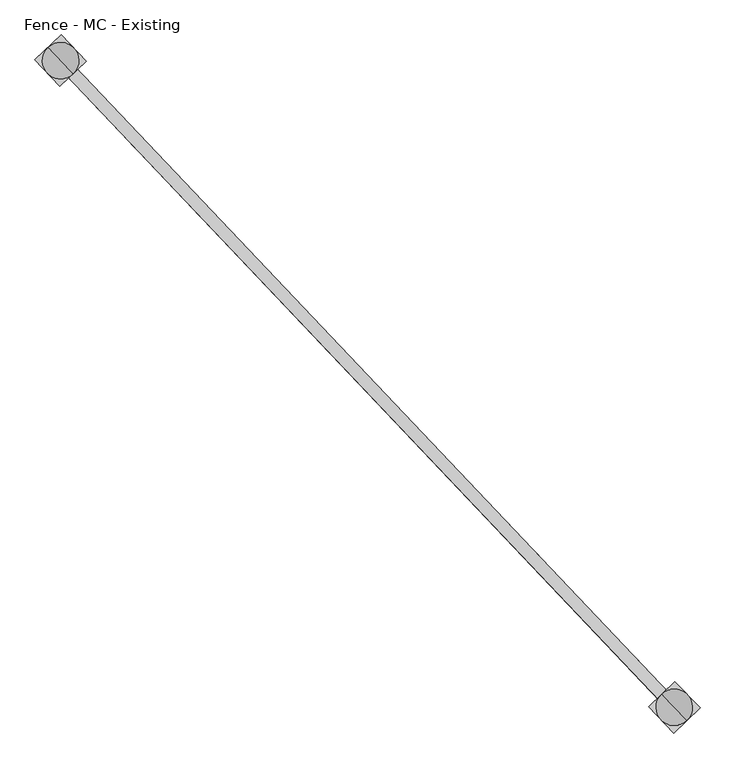
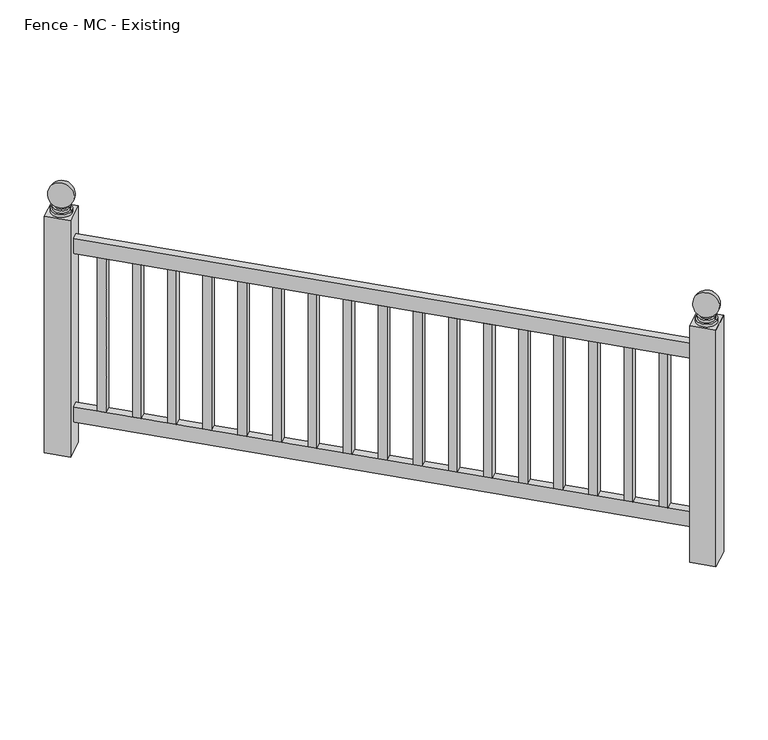
"""IFC4 building model written with IfcOpenShell, lengths in millimetres: railing geometry, Fence - MC - Existing."""

import ifcopenshell
import ifcopenshell.guid

model = None  # the IFC model being written
_history = None  # IfcOwnerHistory: only IFC2X3 demands one
_inside = {}  # id of a spatial element -> (the spatial element, [elements in it])
_under = {}  # id of a project, library or spatial element -> (it, [spatial elements below it])
_declared = {}  # id of a project -> (the project, [libraries it declares])
_typed = {}  # id of a type object -> (the type object, [elements of that type])
_made_of = {}  # id of a material, layer set ... -> (it, [elements and type objects made of it])


def new_model(schema):
    """Start an empty IFC model of exactly this schema.

    Asked for "IFC4X3", IfcOpenShell would pick the latest addendum, in which some entities
    have other attributes; the version numbers below select the first issue.
    IFC2X3 requires an IfcOwnerHistory on every rooted entity: one is made here for all.
    """
    global model, _history
    if schema == "IFC4X3":
        model = ifcopenshell.file(schema_version=(4, 3, 0, 0))
    else:
        model = ifcopenshell.file(schema=schema)
    _inside.clear()
    _under.clear()
    _declared.clear()
    _typed.clear()
    _made_of.clear()
    _history = None
    if model.schema == "IFC2X3":
        org = make("IfcOrganization", Name="unknown")
        user = make(
            "IfcPersonAndOrganization",
            ThePerson=make("IfcPerson", FamilyName="unknown"),
            TheOrganization=org,
        )
        app = make(
            "IfcApplication",
            ApplicationDeveloper=org,
            Version="unknown",
            ApplicationFullName="unknown",
            ApplicationIdentifier="unknown",
        )
        _history = make(
            "IfcOwnerHistory",
            OwningUser=user,
            OwningApplication=app,
            ChangeAction="ADDED",
            CreationDate=0,
        )
    return model


def make(cls, **values):
    """One entity of the class cls with the attributes given. An attribute that is None is left unset."""
    return model.create_entity(
        cls, **{name: value for name, value in values.items() if value is not None}
    )


def rooted(cls, **values):
    """An entity with a GlobalId (a new one), such as an element, a storey or a relation."""
    return make(cls, GlobalId=ifcopenshell.guid.new(), OwnerHistory=_history, **values)


def si_unit(unit_type, name, prefix=None):
    """IfcSIUnit, for example si_unit("LENGTHUNIT", "METRE", prefix="MILLI")."""
    return make("IfcSIUnit", UnitType=unit_type, Prefix=prefix, Name=name)


def assignment(units):
    """IfcUnitAssignment: the units of a project."""
    return None if units is None else make("IfcUnitAssignment", Units=units)


def point(xyz):
    """IfcCartesianPoint."""
    return None if xyz is None else make("IfcCartesianPoint", Coordinates=xyz)


def direction(xyz):
    """IfcDirection."""
    return None if xyz is None else make("IfcDirection", DirectionRatios=xyz)


def frame(location, z_axis=None, x_axis=None):
    """IfcAxis2Placement3D, a coordinate frame: its origin and axes. An axis left out is left unset."""
    return make(
        "IfcAxis2Placement3D",
        Location=point(location),
        Axis=direction(z_axis),
        RefDirection=direction(x_axis),
    )


def origin():
    """The frame at (0, 0, 0) with its axes left unset."""
    return frame((0.0, 0.0, 0.0))


def place(relative_to, where):
    """IfcLocalPlacement: puts the frame where relative to a parent placement (None: the world)."""
    return make(
        "IfcLocalPlacement", PlacementRelTo=relative_to, RelativePlacement=where
    )


def context(
    kind, dimensions, precision=None, world=None, true_north=None, identifier=None
):
    """IfcGeometricRepresentationContext, for example the 3D "Model" context."""
    return make(
        "IfcGeometricRepresentationContext",
        ContextIdentifier=identifier,
        ContextType=kind,
        CoordinateSpaceDimension=dimensions,
        Precision=precision,
        WorldCoordinateSystem=world,
        TrueNorth=true_north,
    )


def project(units=None, contexts=None):
    """IfcProject with its units and contexts."""
    return rooted(
        "IfcProject",
        Name="project",
        RepresentationContexts=contexts,
        UnitsInContext=assignment(units),
    )


def spatial(cls, under=None, at=None, **own):
    """A site, building, storey or space (cls), placed at a placement, below another one or the project."""
    s = rooted(cls, ObjectPlacement=at, **own)
    if under is not None:
        _under.setdefault(under.id(), (under, []))[1].append(s)
    return s


def polyline(points):
    """IfcPolyline through the points."""
    return make("IfcPolyline", Points=[point(p) for p in points])


def circle_curve(where, radius):
    """IfcCircle in the frame where."""
    return make("IfcCircle", Position=where, Radius=radius)


def ellipse_curve(where, semi_axis1, semi_axis2):
    """IfcEllipse in the frame where."""
    return make(
        "IfcEllipse", Position=where, SemiAxis1=semi_axis1, SemiAxis2=semi_axis2
    )


def trimmed(basis, trim1, trim2, sense, master):
    """IfcTrimmedCurve: the piece of a basis curve between two trims."""
    return make(
        "IfcTrimmedCurve",
        BasisCurve=basis,
        Trim1=trim1,
        Trim2=trim2,
        SenseAgreement=sense,
        MasterRepresentation=master,
    )


def outline(outer, holes=None, kind="AREA"):
    """IfcArbitraryClosedProfileDef: a profile drawn as a closed curve; with holes, ...WithVoids."""
    if holes is None:
        return make("IfcArbitraryClosedProfileDef", ProfileType=kind, OuterCurve=outer)
    return make(
        "IfcArbitraryProfileDefWithVoids",
        ProfileType=kind,
        OuterCurve=outer,
        InnerCurves=holes,
    )


def extrude(swept, where, along, depth):
    """IfcExtrudedAreaSolid: the profile swept, set in the frame where, extruded along a direction by depth."""
    return make(
        "IfcExtrudedAreaSolid",
        SweptArea=swept,
        Position=where,
        ExtrudedDirection=direction(along),
        Depth=depth,
    )


def shape(context_of_items, identifier, shape_type, items):
    """IfcShapeRepresentation: the items that make up one representation, for example the "Body"."""
    return make(
        "IfcShapeRepresentation",
        ContextOfItems=context_of_items,
        RepresentationIdentifier=identifier,
        RepresentationType=shape_type,
        Items=items,
    )


def source(mapping_origin, context_of_items, identifier, shape_type, items):
    """IfcRepresentationMap: a shape defined once, which mapped items show again and again."""
    return make(
        "IfcRepresentationMap",
        MappingOrigin=mapping_origin,
        MappedRepresentation=shape(context_of_items, identifier, shape_type, items),
    )


def transform(
    local_origin,
    x_axis=None,
    y_axis=None,
    z_axis=None,
    scale=None,
    scale2=None,
    scale3=None,
    uniform=True,
):
    """IfcCartesianTransformationOperator3D, or its non-uniform kind. x_axis, y_axis, z_axis: its Axis1, 2, 3."""
    if uniform:
        return make(
            "IfcCartesianTransformationOperator3D",
            Axis1=direction(x_axis),
            Axis2=direction(y_axis),
            LocalOrigin=point(local_origin),
            Scale=scale,
            Axis3=direction(z_axis),
        )
    return make(
        "IfcCartesianTransformationOperator3DnonUniform",
        Axis1=direction(x_axis),
        Axis2=direction(y_axis),
        LocalOrigin=point(local_origin),
        Scale=scale,
        Axis3=direction(z_axis),
        Scale2=scale2,
        Scale3=scale3,
    )


def mapped(mapping_source, mapping_target):
    """IfcMappedItem: shows the shape of a source again, moved by a transform."""
    return make(
        "IfcMappedItem", MappingSource=mapping_source, MappingTarget=mapping_target
    )


def made_of(thing, what):
    """Note that an element or type object is made of a material, layer set ...; save() writes the relation."""
    if what is not None:
        _made_of.setdefault(what.id(), (what, []))[1].append(thing)
    return thing


def element(
    cls,
    number,
    at=None,
    inside=None,
    cuts=None,
    type_object=None,
    material=None,
    context=None,
    identifier="Body",
    shape_type=None,
    held_by="IfcProductDefinitionShape",
    body=None,
    shapes=None,
    **own,
):
    """One element of the class cls, such as IfcWall. Its Tag is "e" and its number.

    at: its placement. inside: the storey or other place that contains it. cuts: it is an
    opening in that element (IfcRelVoidsElement). A single representation is given by context,
    identifier, shape_type and body (its items); several are given by shapes. held_by: the class
    of the entity that holds the representations. save() writes the other relations.
    """
    e = rooted(cls, Tag="e%d" % number, ObjectPlacement=at, **own)
    if body is not None:
        shapes = [shape(context, identifier, shape_type, body)]
    if shapes is not None:
        e.Representation = make(held_by, Representations=shapes)
    if inside is not None:
        _inside.setdefault(inside.id(), (inside, []))[1].append(e)
    if cuts is not None:
        rooted(
            "IfcRelVoidsElement", RelatingBuildingElement=cuts, RelatedOpeningElement=e
        )
    if type_object is not None:
        _typed.setdefault(type_object.id(), (type_object, []))[1].append(e)
    return made_of(e, material)


def aggregate(whole, parts):
    """IfcRelAggregates: a whole, such as a stair, and the parts it consists of."""
    return rooted("IfcRelAggregates", RelatingObject=whole, RelatedObjects=parts)


def save(model, path):
    """Write the relations noted so far, then the file.

    IfcRelAggregates (storeys below a building ...), IfcRelContainedInSpatialStructure (elements
    in a storey), IfcRelDefinesByType, IfcRelAssociatesMaterial and IfcRelDeclares: one each for
    every whole, place, type object, material and project.
    """
    for whole, parts in _under.values():
        aggregate(whole, parts)
    for where, things in _inside.values():
        rooted(
            "IfcRelContainedInSpatialStructure",
            RelatedElements=things,
            RelatingStructure=where,
        )
    for kind, things in _typed.values():
        rooted("IfcRelDefinesByType", RelatedObjects=things, RelatingType=kind)
    for what, things in _made_of.values():
        rooted("IfcRelAssociatesMaterial", RelatedObjects=things, RelatingMaterial=what)
    for by, libraries in _declared.values():
        rooted("IfcRelDeclares", RelatingContext=by, RelatedDefinitions=libraries)
    model.write(path)


def plane_surface(at):
    """IfcPlane: the flat surface through the origin of the frame at, square to its z axis."""
    return make("IfcPlane", Position=at)


def cylinder_surface(at, radius):
    """IfcCylindricalSurface: all points at the distance radius from the z axis of the frame at."""
    return make("IfcCylindricalSurface", Position=at, Radius=radius)


def revolved_surface(curve, axis_point, axis_direction):
    """IfcSurfaceOfRevolution: the curve turned about the line through axis_point along axis_direction."""
    return make(
        "IfcSurfaceOfRevolution",
        SweptCurve=make("IfcArbitraryOpenProfileDef", ProfileType="CURVE", Curve=curve),
        AxisPosition=make("IfcAxis1Placement", Location=point(axis_point), Axis=direction(axis_direction)),
    )


def advanced_brep(points, edges, surfaces, faces):
    """IfcAdvancedBrep: a solid bounded by faces that lie on surfaces and meet in shared edges.

    An edge is (start, end): straight between two places in points (the first is 0);
    or (start, end, curve); or (start, end, curve, False) where it runs against its curve.
    A face is (place in surfaces, loops), or (place, loops, False) where it looks against
    its surface's normal. A loop lists edges by number (the first is 1), with a minus sign
    where the edge is run from its end to its start. The first loop is the outer one.
    """
    corners = [point(p) for p in points]
    vertices = [make("IfcVertexPoint", VertexGeometry=c) for c in corners]
    made = []
    for start, end, *more in edges:
        made.append(
            make(
                "IfcEdgeCurve",
                EdgeStart=vertices[start],
                EdgeEnd=vertices[end],
                EdgeGeometry=more[0] if more else make("IfcPolyline", Points=[corners[start], corners[end]]),
                SameSense=more[1] if len(more) > 1 else True,
            )
        )
    hull = []
    for where, loops, *sense in faces:
        bounds = []
        for j, loop in enumerate(loops):
            ring = [make("IfcOrientedEdge", EdgeElement=made[abs(k) - 1], Orientation=k > 0) for k in loop]
            bounds.append(
                make(
                    "IfcFaceOuterBound" if j == 0 else "IfcFaceBound",
                    Bound=make("IfcEdgeLoop", EdgeList=ring),
                    Orientation=True,
                )
            )
        hull.append(make("IfcAdvancedFace", Bounds=bounds, FaceSurface=surfaces[where], SameSense=sense[0] if sense else True))
    return make("IfcAdvancedBrep", Outer=make("IfcClosedShell", CfsFaces=hull))


def fence_mc_existing_fe99ed68(model_context):
    return source(origin(), model_context, "Body", "SolidModel", [
        extrude(outline(polyline([(118569.4930195, 50509.4110436), (118551.0685105, 50491.9268374), (117265.9793531, 51846.1282507), (117284.4038622, 51863.6124569), (118569.4930195, 50509.4110436)])), frame((0.0, 0.0, 27660.6), z_axis=(0.0, 0.0, 1.0), x_axis=(1.0, 0.0, 0.0)), (0.0, 0.0, 1.0), 50.8),
        extrude(outline(polyline([(118569.4930195, 50509.4110436), (118551.0685105, 50491.9268374), (117265.9793531, 51846.1282507), (117284.4038622, 51863.6124569), (118569.4930195, 50509.4110436)])), frame((0.0, 0.0, 27089.1), z_axis=(0.0, 0.0, 1.0), x_axis=(1.0, 0.0, 0.0)), (0.0, 0.0, 1.0), 50.8),
        extrude(outline(polyline([(117306.2591199, 51840.5818206), (117287.8346109, 51823.0976144), (117270.3504047, 51841.5221234), (117288.7749137, 51859.0063296), (117306.2591199, 51840.5818206)])), frame((0.0, 0.0, 27139.9), z_axis=(0.0, 0.0, 1.0), x_axis=(1.0, 0.0, 0.0)), (0.0, 0.0, 1.0), 520.7),
        extrude(outline(polyline([(117376.1959448, 51766.8837845), (117357.7714358, 51749.3995783), (117340.2872296, 51767.8240873), (117358.7117386, 51785.3082935), (117376.1959448, 51766.8837845)])), frame((0.0, 0.0, 27139.9), z_axis=(0.0, 0.0, 1.0), x_axis=(1.0, 0.0, 0.0)), (0.0, 0.0, 1.0), 520.7),
        extrude(outline(polyline([(117446.1327697, 51693.1857484), (117427.7082607, 51675.7015422), (117410.2240545, 51694.1260512), (117428.6485635, 51711.6102574), (117446.1327697, 51693.1857484)])), frame((0.0, 0.0, 27139.9), z_axis=(0.0, 0.0, 1.0), x_axis=(1.0, 0.0, 0.0)), (0.0, 0.0, 1.0), 520.7),
        extrude(outline(polyline([(117516.0695946, 51619.4877123), (117497.6450856, 51602.0035061), (117480.1608794, 51620.4280151), (117498.5853884, 51637.9122213), (117516.0695946, 51619.4877123)])), frame((0.0, 0.0, 27139.9), z_axis=(0.0, 0.0, 1.0), x_axis=(1.0, 0.0, 0.0)), (0.0, 0.0, 1.0), 520.7),
        extrude(outline(polyline([(117586.0064195, 51545.7896762), (117567.5819105, 51528.30547), (117550.0977043, 51546.729979), (117568.5222133, 51564.2141853), (117586.0064195, 51545.7896762)])), frame((0.0, 0.0, 27139.9), z_axis=(0.0, 0.0, 1.0), x_axis=(1.0, 0.0, 0.0)), (0.0, 0.0, 1.0), 520.7),
        extrude(outline(polyline([(117655.9432444, 51472.0916401), (117637.5187354, 51454.6074339), (117620.0345291, 51473.0319429), (117638.4590382, 51490.5161492), (117655.9432444, 51472.0916401)])), frame((0.0, 0.0, 27139.9), z_axis=(0.0, 0.0, 1.0), x_axis=(1.0, 0.0, 0.0)), (0.0, 0.0, 1.0), 520.7),
        extrude(outline(polyline([(117725.8800693, 51398.393604), (117707.4555603, 51380.9093978), (117689.971354, 51399.3339068), (117708.3958631, 51416.8181131), (117725.8800693, 51398.393604)])), frame((0.0, 0.0, 27139.9), z_axis=(0.0, 0.0, 1.0), x_axis=(1.0, 0.0, 0.0)), (0.0, 0.0, 1.0), 520.7),
        extrude(outline(polyline([(117795.8168942, 51324.6955679), (117777.3923852, 51307.2113617), (117759.9081789, 51325.6358707), (117778.332688, 51343.120077), (117795.8168942, 51324.6955679)])), frame((0.0, 0.0, 27139.9), z_axis=(0.0, 0.0, 1.0), x_axis=(1.0, 0.0, 0.0)), (0.0, 0.0, 1.0), 520.7),
        extrude(outline(polyline([(117865.7537191, 51250.9975318), (117847.32921, 51233.5133256), (117829.8450038, 51251.9378346), (117848.2695128, 51269.4220409), (117865.7537191, 51250.9975318)])), frame((0.0, 0.0, 27139.9), z_axis=(0.0, 0.0, 1.0), x_axis=(1.0, 0.0, 0.0)), (0.0, 0.0, 1.0), 520.7),
        extrude(outline(polyline([(117935.690544, 51177.2994958), (117917.2660349, 51159.8152895), (117899.7818287, 51178.2397986), (117918.2063377, 51195.7240048), (117935.690544, 51177.2994958)])), frame((0.0, 0.0, 27139.9), z_axis=(0.0, 0.0, 1.0), x_axis=(1.0, 0.0, 0.0)), (0.0, 0.0, 1.0), 520.7),
        extrude(outline(polyline([(118005.6273688, 51103.6014597), (117987.2028598, 51086.1172534), (117969.7186536, 51104.5417625), (117988.1431626, 51122.0259687), (118005.6273688, 51103.6014597)])), frame((0.0, 0.0, 27139.9), z_axis=(0.0, 0.0, 1.0), x_axis=(1.0, 0.0, 0.0)), (0.0, 0.0, 1.0), 520.7),
        extrude(outline(polyline([(118075.5641937, 51029.9034236), (118057.1396847, 51012.4192173), (118039.6554785, 51030.8437264), (118058.0799875, 51048.3279326), (118075.5641937, 51029.9034236)])), frame((0.0, 0.0, 27139.9), z_axis=(0.0, 0.0, 1.0), x_axis=(1.0, 0.0, 0.0)), (0.0, 0.0, 1.0), 520.7),
        extrude(outline(polyline([(118145.5010186, 50956.2053875), (118127.0765096, 50938.7211812), (118109.5923034, 50957.1456903), (118128.0168124, 50974.6298965), (118145.5010186, 50956.2053875)])), frame((0.0, 0.0, 27139.9), z_axis=(0.0, 0.0, 1.0), x_axis=(1.0, 0.0, 0.0)), (0.0, 0.0, 1.0), 520.7),
        extrude(outline(polyline([(118215.4378435, 50882.5073514), (118197.0133345, 50865.0231452), (118179.5291283, 50883.4476542), (118197.9536373, 50900.9318604), (118215.4378435, 50882.5073514)])), frame((0.0, 0.0, 27139.9), z_axis=(0.0, 0.0, 1.0), x_axis=(1.0, 0.0, 0.0)), (0.0, 0.0, 1.0), 520.7),
        extrude(outline(polyline([(118285.3746684, 50808.8093153), (118266.9501594, 50791.3251091), (118249.4659532, 50809.7496181), (118267.8904622, 50827.2338243), (118285.3746684, 50808.8093153)])), frame((0.0, 0.0, 27139.9), z_axis=(0.0, 0.0, 1.0), x_axis=(1.0, 0.0, 0.0)), (0.0, 0.0, 1.0), 520.7),
        extrude(outline(polyline([(118355.3114933, 50735.1112792), (118336.8869843, 50717.627073), (118319.4027781, 50736.051582), (118337.8272871, 50753.5357882), (118355.3114933, 50735.1112792)])), frame((0.0, 0.0, 27139.9), z_axis=(0.0, 0.0, 1.0), x_axis=(1.0, 0.0, 0.0)), (0.0, 0.0, 1.0), 520.7),
        extrude(outline(polyline([(118425.2483182, 50661.4132431), (118406.8238092, 50643.9290369), (118389.3396029, 50662.3535459), (118407.764112, 50679.8377521), (118425.2483182, 50661.4132431)])), frame((0.0, 0.0, 27139.9), z_axis=(0.0, 0.0, 1.0), x_axis=(1.0, 0.0, 0.0)), (0.0, 0.0, 1.0), 520.7),
        extrude(outline(polyline([(118495.1851431, 50587.715207), (118476.7606341, 50570.2310008), (118459.2764278, 50588.6555098), (118477.7009369, 50606.139716), (118495.1851431, 50587.715207)])), frame((0.0, 0.0, 27139.9), z_axis=(0.0, 0.0, 1.0), x_axis=(1.0, 0.0, 0.0)), (0.0, 0.0, 1.0), 520.7),
        extrude(outline(polyline([(118565.121968, 50514.0171709), (118546.6974589, 50496.5329647), (118529.2132527, 50514.9574737), (118547.6377617, 50532.4416799), (118565.121968, 50514.0171709)])), frame((0.0, 0.0, 27139.9), z_axis=(0.0, 0.0, 1.0), x_axis=(1.0, 0.0, 0.0)), (0.0, 0.0, 1.0), 520.7),
        advanced_brep(
        [(117253.3363499, 51877.9009901, 27787.6), (117297.0468654, 51831.8397175, 27787.6), (117275.1916077, 51854.8703538, 27787.6), (117253.3363499, 51877.9009901, 27797.125), (117297.0468654, 51831.8397175, 27797.125), (117257.7074014, 51873.2948628, 27797.125), (117292.6758139, 51836.4458448, 27797.125), (117257.7074014, 51873.2948628, 27806.65), (117292.6758139, 51836.4458448, 27806.65), (117262.078453, 51868.6887355, 27806.65), (117288.3047623, 51841.051972, 27806.65), (117262.078453, 51868.6887355, 27811.7544321), (117288.3047623, 51841.051972, 27811.7544321), (117275.1916077, 51854.8703538, 27882.85)],
        [
            (0, 1, circle_curve(frame((117275.1916077, 51854.8703538, 27787.6), z_axis=(0.0, 0.0, -1.0), x_axis=(0.6883545756937386, -0.7253743710123023, 0.0)), 31.75)),
            (1, 2),
            (2, 0),
            (1, 0, circle_curve(frame((117275.1916077, 51854.8703538, 27787.6), z_axis=(0.0, 0.0, -1.0), x_axis=(0.6883545756937386, -0.7253743710123023, 0.0)), 31.75)),
            (0, 3),
            (3, 4, circle_curve(frame((117275.1916077, 51854.8703538, 27797.125), z_axis=(0.0, 0.0, -1.0), x_axis=(0.6883545756937386, -0.7253743710123023, 0.0)), 31.75)),
            (4, 1),
            (4, 3, circle_curve(frame((117275.1916077, 51854.8703538, 27797.125), z_axis=(0.0, 0.0, -1.0), x_axis=(0.6883545756937386, -0.7253743710123023, 0.0)), 31.75)),
            (3, 5),
            (5, 6, circle_curve(frame((117275.1916077, 51854.8703538, 27797.125), z_axis=(0.0, 0.0, -1.0), x_axis=(0.6883545756937386, -0.7253743710123023, 0.0)), 25.4)),
            (6, 4),
            (6, 5, circle_curve(frame((117275.1916077, 51854.8703538, 27797.125), z_axis=(0.0, 0.0, -1.0), x_axis=(0.6883545756937386, -0.7253743710123023, 0.0)), 25.4)),
            (5, 7),
            (7, 8, circle_curve(frame((117275.1916077, 51854.8703538, 27806.65), z_axis=(0.0, 0.0, -1.0), x_axis=(0.6883545756937386, -0.7253743710123023, 0.0)), 25.4)),
            (8, 6),
            (8, 7, circle_curve(frame((117275.1916077, 51854.8703538, 27806.65), z_axis=(0.0, 0.0, -1.0), x_axis=(0.6883545756937386, -0.7253743710123023, 0.0)), 25.4)),
            (7, 9),
            (9, 10, circle_curve(frame((117275.1916077, 51854.8703538, 27806.65), z_axis=(0.0, 0.0, -1.0), x_axis=(0.6883545756937386, -0.7253743710123023, 0.0)), 19.05)),
            (10, 8),
            (10, 9, circle_curve(frame((117275.1916077, 51854.8703538, 27806.65), z_axis=(0.0, 0.0, -1.0), x_axis=(0.6883545756937386, -0.7253743710123023, 0.0)), 19.05)),
            (9, 11),
            (11, 12, circle_curve(frame((117275.1916077, 51854.8703538, 27811.7544321), z_axis=(0.0, 0.0, -1.0), x_axis=(0.6883545756937386, -0.7253743710123023, 0.0)), 19.05)),
            (12, 10),
            (12, 11, circle_curve(frame((117275.1916077, 51854.8703538, 27811.7544321), z_axis=(0.0, 0.0, -1.0), x_axis=(0.6883545756937386, -0.7253743710123023, 0.0)), 19.05)),
            (11, 13, circle_curve(frame((117275.1916077, 51854.8703538, 27844.75), z_axis=(0.7253743710123045, 0.6883545756937363, 0.0), x_axis=(-0.6883545756937363, 0.7253743710123045, 0.0)), 38.1)),
            (13, 12, circle_curve(frame((117275.1916077, 51854.8703538, 27844.75), z_axis=(0.7253743710123023, 0.6883545756937386, 0.0), x_axis=(0.6883545756937386, -0.7253743710123023, 0.0)), 38.1)),
        ],
        [
            plane_surface(frame((117275.1916077, 51854.8703538, 27787.6), z_axis=(0.0, 0.0, -1.0), x_axis=(0.6883545756937386, -0.7253743710123023, 0.0))),
            cylinder_surface(frame((117275.1916077, 51854.8703538, 27787.6), z_axis=(0.0, 0.0, 1.0), x_axis=(0.6883545756937386, -0.7253743710123023, 0.0)), 31.75),
            plane_surface(frame((117275.1916077, 51854.8703538, 27797.125), z_axis=(0.0, 0.0, 1.0), x_axis=(0.6883545756937386, -0.7253743710123023, 0.0))),
            cylinder_surface(frame((117275.1916077, 51854.8703538, 27787.6), z_axis=(0.0, 0.0, 1.0), x_axis=(0.6883545756937386, -0.7253743710123023, 0.0)), 25.4),
            plane_surface(frame((117275.1916077, 51854.8703538, 27806.65), z_axis=(0.0, 0.0, 1.0), x_axis=(0.6883545756937386, -0.7253743710123023, 0.0))),
            cylinder_surface(frame((117275.1916077, 51854.8703538, 27787.6), z_axis=(0.0, 0.0, 1.0), x_axis=(0.6883545756937386, -0.7253743710123023, 0.0)), 19.05),
            revolved_surface(trimmed(ellipse_curve(frame((117275.1916077, 51854.8703538, 27844.75), z_axis=(-0.7253743710123023, -0.6883545756937386, 0.0), x_axis=(0.6883545756937386, -0.7253743710123023, 0.0)), 38.1, 38.1), [point((117288.3047623, 51841.051972, 27811.7544321))], [point((117275.1916077, 51854.8703538, 27882.85))], True, "CARTESIAN"), (117275.1916077, 51854.8703538, 27787.6), (0.0, 0.0, 1.0)),
        ],
        [
            (0, [[1, 2, 3]]),
            (0, [[-2, 4, -3]]),
            (1, [[-1, 5, 6, 7]]),
            (1, [[-4, -7, 8, -5]]),
            (2, [[-6, 9, 10, 11]]),
            (2, [[-8, -11, 12, -9]]),
            (3, [[-10, 13, 14, 15]]),
            (3, [[-12, -15, 16, -13]]),
            (4, [[-14, 17, 18, 19]]),
            (4, [[-16, -19, 20, -17]]),
            (5, [[-18, 21, 22, 23]]),
            (5, [[-20, -23, 24, -21]]),
            (6, [[-22, 25, 26]]),
            (6, [[-24, -26, -25]]),
        ],
    ),
        extrude(outline(polyline([(117273.7811534, 51801.0072809), (117221.3285348, 51856.280808), (117276.6020619, 51908.7334266), (117329.0546805, 51853.4598996), (117273.7811534, 51801.0072809)])), frame((0.0, 0.0, 26987.5), z_axis=(0.0, 0.0, 1.0), x_axis=(1.0, 0.0, 0.0)), (0.0, 0.0, 1.0), 800.1),
        advanced_brep(
        [(118538.4255072, 50523.6995768, 27787.6), (118582.1360228, 50477.6383043, 27787.6), (118560.280765, 50500.6689405, 27787.6), (118538.4255072, 50523.6995768, 27797.125), (118582.1360228, 50477.6383043, 27797.125), (118542.7965588, 50519.0934496, 27797.125), (118577.7649712, 50482.2444315, 27797.125), (118542.7965588, 50519.0934496, 27806.65), (118577.7649712, 50482.2444315, 27806.65), (118547.1676103, 50514.4873223, 27806.65), (118573.3939197, 50486.8505588, 27806.65), (118547.1676103, 50514.4873223, 27811.7544321), (118573.3939197, 50486.8505588, 27811.7544321), (118560.280765, 50500.6689405, 27882.85)],
        [
            (0, 1, circle_curve(frame((118560.280765, 50500.6689405, 27787.6), z_axis=(0.0, 0.0, -1.0), x_axis=(0.6883545756937386, -0.7253743710123023, 0.0)), 31.75)),
            (1, 2),
            (2, 0),
            (1, 0, circle_curve(frame((118560.280765, 50500.6689405, 27787.6), z_axis=(0.0, 0.0, -1.0), x_axis=(0.6883545756937386, -0.7253743710123023, 0.0)), 31.75)),
            (0, 3),
            (3, 4, circle_curve(frame((118560.280765, 50500.6689405, 27797.125), z_axis=(0.0, 0.0, -1.0), x_axis=(0.6883545756937386, -0.7253743710123023, 0.0)), 31.75)),
            (4, 1),
            (4, 3, circle_curve(frame((118560.280765, 50500.6689405, 27797.125), z_axis=(0.0, 0.0, -1.0), x_axis=(0.6883545756937386, -0.7253743710123023, 0.0)), 31.75)),
            (3, 5),
            (5, 6, circle_curve(frame((118560.280765, 50500.6689405, 27797.125), z_axis=(0.0, 0.0, -1.0), x_axis=(0.6883545756937386, -0.7253743710123023, 0.0)), 25.4)),
            (6, 4),
            (6, 5, circle_curve(frame((118560.280765, 50500.6689405, 27797.125), z_axis=(0.0, 0.0, -1.0), x_axis=(0.6883545756937386, -0.7253743710123023, 0.0)), 25.4)),
            (5, 7),
            (7, 8, circle_curve(frame((118560.280765, 50500.6689405, 27806.65), z_axis=(0.0, 0.0, -1.0), x_axis=(0.6883545756937386, -0.7253743710123023, 0.0)), 25.4)),
            (8, 6),
            (8, 7, circle_curve(frame((118560.280765, 50500.6689405, 27806.65), z_axis=(0.0, 0.0, -1.0), x_axis=(0.6883545756937386, -0.7253743710123023, 0.0)), 25.4)),
            (7, 9),
            (9, 10, circle_curve(frame((118560.280765, 50500.6689405, 27806.65), z_axis=(0.0, 0.0, -1.0), x_axis=(0.6883545756937386, -0.7253743710123023, 0.0)), 19.05)),
            (10, 8),
            (10, 9, circle_curve(frame((118560.280765, 50500.6689405, 27806.65), z_axis=(0.0, 0.0, -1.0), x_axis=(0.6883545756937386, -0.7253743710123023, 0.0)), 19.05)),
            (9, 11),
            (11, 12, circle_curve(frame((118560.280765, 50500.6689405, 27811.7544321), z_axis=(0.0, 0.0, -1.0), x_axis=(0.6883545756937386, -0.7253743710123023, 0.0)), 19.05)),
            (12, 10),
            (12, 11, circle_curve(frame((118560.280765, 50500.6689405, 27811.7544321), z_axis=(0.0, 0.0, -1.0), x_axis=(0.6883545756937386, -0.7253743710123023, 0.0)), 19.05)),
            (11, 13, circle_curve(frame((118560.280765, 50500.6689405, 27844.75), z_axis=(0.7253743710123045, 0.6883545756937363, 0.0), x_axis=(-0.6883545756937363, 0.7253743710123045, 0.0)), 38.1)),
            (13, 12, circle_curve(frame((118560.280765, 50500.6689405, 27844.75), z_axis=(0.7253743710123023, 0.6883545756937386, 0.0), x_axis=(0.6883545756937386, -0.7253743710123023, 0.0)), 38.1)),
        ],
        [
            plane_surface(frame((118560.280765, 50500.6689405, 27787.6), z_axis=(0.0, 0.0, -1.0), x_axis=(0.6883545756937386, -0.7253743710123023, 0.0))),
            cylinder_surface(frame((118560.280765, 50500.6689405, 27787.6), z_axis=(0.0, 0.0, 1.0), x_axis=(0.6883545756937386, -0.7253743710123023, 0.0)), 31.75),
            plane_surface(frame((118560.280765, 50500.6689405, 27797.125), z_axis=(0.0, 0.0, 1.0), x_axis=(0.6883545756937386, -0.7253743710123023, 0.0))),
            cylinder_surface(frame((118560.280765, 50500.6689405, 27787.6), z_axis=(0.0, 0.0, 1.0), x_axis=(0.6883545756937386, -0.7253743710123023, 0.0)), 25.4),
            plane_surface(frame((118560.280765, 50500.6689405, 27806.65), z_axis=(0.0, 0.0, 1.0), x_axis=(0.6883545756937386, -0.7253743710123023, 0.0))),
            cylinder_surface(frame((118560.280765, 50500.6689405, 27787.6), z_axis=(0.0, 0.0, 1.0), x_axis=(0.6883545756937386, -0.7253743710123023, 0.0)), 19.05),
            revolved_surface(trimmed(ellipse_curve(frame((118560.280765, 50500.6689405, 27844.75), z_axis=(-0.7253743710123023, -0.6883545756937386, 0.0), x_axis=(0.6883545756937386, -0.7253743710123023, 0.0)), 38.1, 38.1), [point((118573.3939197, 50486.8505588, 27811.7544321))], [point((118560.280765, 50500.6689405, 27882.85))], True, "CARTESIAN"), (118560.280765, 50500.6689405, 27787.6), (0.0, 0.0, 1.0)),
        ],
        [
            (0, [[1, 2, 3]]),
            (0, [[-2, 4, -3]]),
            (1, [[-1, 5, 6, 7]]),
            (1, [[-4, -7, 8, -5]]),
            (2, [[-6, 9, 10, 11]]),
            (2, [[-8, -11, 12, -9]]),
            (3, [[-10, 13, 14, 15]]),
            (3, [[-12, -15, 16, -13]]),
            (4, [[-14, 17, 18, 19]]),
            (4, [[-16, -19, 20, -17]]),
            (5, [[-18, 21, 22, 23]]),
            (5, [[-20, -23, 24, -21]]),
            (6, [[-22, 25, 26]]),
            (6, [[-24, -26, -25]]),
        ],
    ),
        extrude(outline(polyline([(118558.8703108, 50446.8058677), (118506.4176921, 50502.0793947), (118561.6912192, 50554.5320134), (118614.1438379, 50499.2584863), (118558.8703108, 50446.8058677)])), frame((0.0, 0.0, 26987.5), z_axis=(0.0, 0.0, 1.0), x_axis=(1.0, 0.0, 0.0)), (0.0, 0.0, 1.0), 800.1),
    ])


if __name__ == "__main__":
    model = new_model("IFC4")
    model_context = context("Model", 3, world=origin())
    ifc_project = project(units=[si_unit("LENGTHUNIT", "METRE", prefix="MILLI")], contexts=[model_context])
    site = spatial("IfcSite", under=ifc_project)
    building = spatial("IfcBuilding", under=site)
    placement = place(None, origin())
    fence_mc_existing_shape = fence_mc_existing_fe99ed68(model_context)
    element("IfcRailing", 1, ObjectType="Fence - MC - Existing", at=placement, inside=building, context=model_context, shape_type="MappedRepresentation", body=[
        mapped(fence_mc_existing_shape, transform((0.0, 0.0, 0.0), x_axis=(1.0, 0.0, 0.0), y_axis=(0.0, 1.0, 0.0), z_axis=(0.0, 0.0, 1.0))),
    ])
    save(model, "model.ifc")
